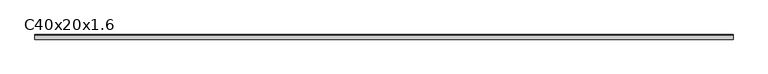
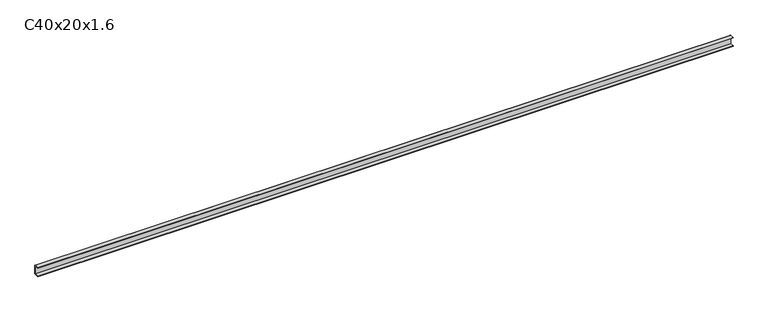
"""IFC4 building model written with IfcOpenShell, lengths in millimetres: proxy geometry, C40x20x1.6."""

from ifc_helpers import new_model, si_unit, point, frame, frame_2d, origin, place, context, project, spatial, polyline, circle_curve, trimmed, segment, composite_curve, outline, extrude, source, transform, mapped, element, save


def c40x20x1_6_25d34379(model_context):
    return source(origin(), model_context, "Body", "SweptSolid", [
        extrude(outline(composite_curve([segment(polyline([(-10.0, 38.4), (-10.0, 40.0), (8.4, 40.0)]), True, "CONTINUOUS"), segment(trimmed(circle_curve(frame_2d((8.4, 38.4)), 1.6), [point((8.4, 40.0))], [point((10.0, 38.4))], False, "CARTESIAN"), True, "CONTINUOUS"), segment(polyline([(10.0, 38.4), (10.0, 1.6)]), True, "CONTINUOUS"), segment(trimmed(circle_curve(frame_2d((8.4, 1.6)), 1.6), [point((10.0, 1.6))], [point((8.4, 0.0))], False, "CARTESIAN"), True, "CONTINUOUS"), segment(polyline([(8.4, 0.0), (-10.0, 0.0), (-10.0, 1.6), (8.4, 1.6), (8.4, 38.4), (-10.0, 38.4)]), True, "CONTINUOUS")], self_intersect=False)), frame((0.0, 0.0, 0.0), z_axis=(1.0, 0.0, 0.0), x_axis=(0.0, 1.0, 0.0)), (0.0, 0.0, 1.0), 3000.0),
    ])


if __name__ == "__main__":
    model = new_model("IFC4")
    model_context = context("Model", 3, world=origin())
    ifc_project = project(units=[si_unit("LENGTHUNIT", "METRE", prefix="MILLI")], contexts=[model_context])
    site = spatial("IfcSite", under=ifc_project)
    building = spatial("IfcBuilding", under=site)
    placement = place(None, origin())
    c40x20x1_6_shape = c40x20x1_6_25d34379(model_context)
    element("IfcBuildingElementProxy", 1, Name="C40x20x1.6", ObjectType="C40x20x1.6", at=placement, inside=building, context=model_context, shape_type="MappedRepresentation", body=[
        mapped(c40x20x1_6_shape, transform((0.0, 0.0, 0.0), x_axis=(1.0, 0.0, 0.0), y_axis=(0.0, 1.0, 0.0), z_axis=(0.0, 0.0, 1.0))),
    ])
    save(model, "model.ifc")
